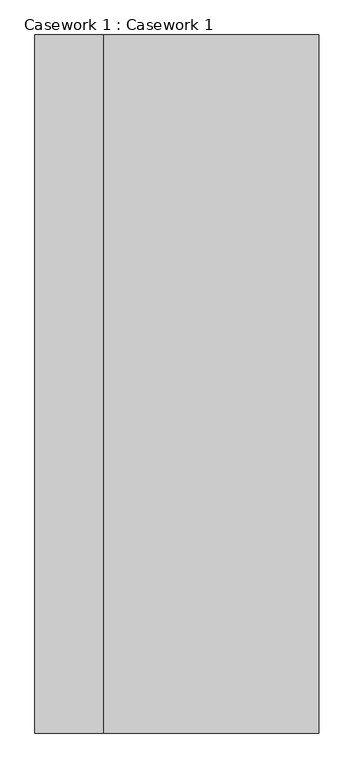
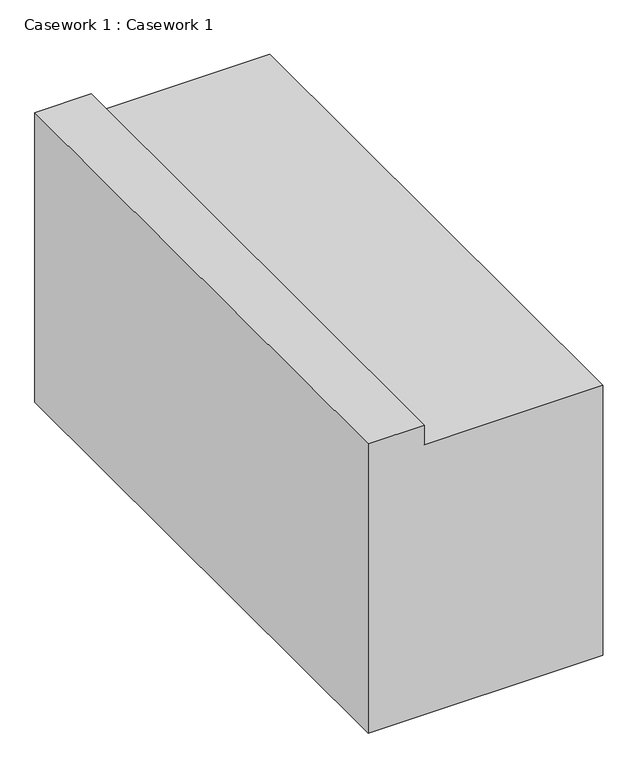
"""IFC4 building model written with IfcOpenShell, lengths in millimetres: furniture geometry, Casework 1 : Casework 1."""

import ifcopenshell
import ifcopenshell.guid

model = None  # the IFC model being written
_history = None  # IfcOwnerHistory: only IFC2X3 demands one
_inside = {}  # id of a spatial element -> (the spatial element, [elements in it])
_under = {}  # id of a project, library or spatial element -> (it, [spatial elements below it])
_declared = {}  # id of a project -> (the project, [libraries it declares])
_typed = {}  # id of a type object -> (the type object, [elements of that type])
_made_of = {}  # id of a material, layer set ... -> (it, [elements and type objects made of it])


def new_model(schema):
    """Start an empty IFC model of exactly this schema.

    Asked for "IFC4X3", IfcOpenShell would pick the latest addendum, in which some entities
    have other attributes; the version numbers below select the first issue.
    IFC2X3 requires an IfcOwnerHistory on every rooted entity: one is made here for all.
    """
    global model, _history
    if schema == "IFC4X3":
        model = ifcopenshell.file(schema_version=(4, 3, 0, 0))
    else:
        model = ifcopenshell.file(schema=schema)
    _inside.clear()
    _under.clear()
    _declared.clear()
    _typed.clear()
    _made_of.clear()
    _history = None
    if model.schema == "IFC2X3":
        org = make("IfcOrganization", Name="unknown")
        user = make(
            "IfcPersonAndOrganization",
            ThePerson=make("IfcPerson", FamilyName="unknown"),
            TheOrganization=org,
        )
        app = make(
            "IfcApplication",
            ApplicationDeveloper=org,
            Version="unknown",
            ApplicationFullName="unknown",
            ApplicationIdentifier="unknown",
        )
        _history = make(
            "IfcOwnerHistory",
            OwningUser=user,
            OwningApplication=app,
            ChangeAction="ADDED",
            CreationDate=0,
        )
    return model


def make(cls, **values):
    """One entity of the class cls with the attributes given. An attribute that is None is left unset."""
    return model.create_entity(
        cls, **{name: value for name, value in values.items() if value is not None}
    )


def rooted(cls, **values):
    """An entity with a GlobalId (a new one), such as an element, a storey or a relation."""
    return make(cls, GlobalId=ifcopenshell.guid.new(), OwnerHistory=_history, **values)


def si_unit(unit_type, name, prefix=None):
    """IfcSIUnit, for example si_unit("LENGTHUNIT", "METRE", prefix="MILLI")."""
    return make("IfcSIUnit", UnitType=unit_type, Prefix=prefix, Name=name)


def assignment(units):
    """IfcUnitAssignment: the units of a project."""
    return None if units is None else make("IfcUnitAssignment", Units=units)


def point(xyz):
    """IfcCartesianPoint."""
    return None if xyz is None else make("IfcCartesianPoint", Coordinates=xyz)


def direction(xyz):
    """IfcDirection."""
    return None if xyz is None else make("IfcDirection", DirectionRatios=xyz)


def frame(location, z_axis=None, x_axis=None):
    """IfcAxis2Placement3D, a coordinate frame: its origin and axes. An axis left out is left unset."""
    return make(
        "IfcAxis2Placement3D",
        Location=point(location),
        Axis=direction(z_axis),
        RefDirection=direction(x_axis),
    )


def origin():
    """The frame at (0, 0, 0) with its axes left unset."""
    return frame((0.0, 0.0, 0.0))


def place(relative_to, where):
    """IfcLocalPlacement: puts the frame where relative to a parent placement (None: the world)."""
    return make(
        "IfcLocalPlacement", PlacementRelTo=relative_to, RelativePlacement=where
    )


def context(
    kind, dimensions, precision=None, world=None, true_north=None, identifier=None
):
    """IfcGeometricRepresentationContext, for example the 3D "Model" context."""
    return make(
        "IfcGeometricRepresentationContext",
        ContextIdentifier=identifier,
        ContextType=kind,
        CoordinateSpaceDimension=dimensions,
        Precision=precision,
        WorldCoordinateSystem=world,
        TrueNorth=true_north,
    )


def project(units=None, contexts=None):
    """IfcProject with its units and contexts."""
    return rooted(
        "IfcProject",
        Name="project",
        RepresentationContexts=contexts,
        UnitsInContext=assignment(units),
    )


def spatial(cls, under=None, at=None, **own):
    """A site, building, storey or space (cls), placed at a placement, below another one or the project."""
    s = rooted(cls, ObjectPlacement=at, **own)
    if under is not None:
        _under.setdefault(under.id(), (under, []))[1].append(s)
    return s


def polyline(points):
    """IfcPolyline through the points."""
    return make("IfcPolyline", Points=[point(p) for p in points])


def outline(outer, holes=None, kind="AREA"):
    """IfcArbitraryClosedProfileDef: a profile drawn as a closed curve; with holes, ...WithVoids."""
    if holes is None:
        return make("IfcArbitraryClosedProfileDef", ProfileType=kind, OuterCurve=outer)
    return make(
        "IfcArbitraryProfileDefWithVoids",
        ProfileType=kind,
        OuterCurve=outer,
        InnerCurves=holes,
    )


def extrude(swept, where, along, depth):
    """IfcExtrudedAreaSolid: the profile swept, set in the frame where, extruded along a direction by depth."""
    return make(
        "IfcExtrudedAreaSolid",
        SweptArea=swept,
        Position=where,
        ExtrudedDirection=direction(along),
        Depth=depth,
    )


def shape(context_of_items, identifier, shape_type, items):
    """IfcShapeRepresentation: the items that make up one representation, for example the "Body"."""
    return make(
        "IfcShapeRepresentation",
        ContextOfItems=context_of_items,
        RepresentationIdentifier=identifier,
        RepresentationType=shape_type,
        Items=items,
    )


def source(mapping_origin, context_of_items, identifier, shape_type, items):
    """IfcRepresentationMap: a shape defined once, which mapped items show again and again."""
    return make(
        "IfcRepresentationMap",
        MappingOrigin=mapping_origin,
        MappedRepresentation=shape(context_of_items, identifier, shape_type, items),
    )


def transform(
    local_origin,
    x_axis=None,
    y_axis=None,
    z_axis=None,
    scale=None,
    scale2=None,
    scale3=None,
    uniform=True,
):
    """IfcCartesianTransformationOperator3D, or its non-uniform kind. x_axis, y_axis, z_axis: its Axis1, 2, 3."""
    if uniform:
        return make(
            "IfcCartesianTransformationOperator3D",
            Axis1=direction(x_axis),
            Axis2=direction(y_axis),
            LocalOrigin=point(local_origin),
            Scale=scale,
            Axis3=direction(z_axis),
        )
    return make(
        "IfcCartesianTransformationOperator3DnonUniform",
        Axis1=direction(x_axis),
        Axis2=direction(y_axis),
        LocalOrigin=point(local_origin),
        Scale=scale,
        Axis3=direction(z_axis),
        Scale2=scale2,
        Scale3=scale3,
    )


def mapped(mapping_source, mapping_target):
    """IfcMappedItem: shows the shape of a source again, moved by a transform."""
    return make(
        "IfcMappedItem", MappingSource=mapping_source, MappingTarget=mapping_target
    )


def made_of(thing, what):
    """Note that an element or type object is made of a material, layer set ...; save() writes the relation."""
    if what is not None:
        _made_of.setdefault(what.id(), (what, []))[1].append(thing)
    return thing


def element(
    cls,
    number,
    at=None,
    inside=None,
    cuts=None,
    type_object=None,
    material=None,
    context=None,
    identifier="Body",
    shape_type=None,
    held_by="IfcProductDefinitionShape",
    body=None,
    shapes=None,
    **own,
):
    """One element of the class cls, such as IfcWall. Its Tag is "e" and its number.

    at: its placement. inside: the storey or other place that contains it. cuts: it is an
    opening in that element (IfcRelVoidsElement). A single representation is given by context,
    identifier, shape_type and body (its items); several are given by shapes. held_by: the class
    of the entity that holds the representations. save() writes the other relations.
    """
    e = rooted(cls, Tag="e%d" % number, ObjectPlacement=at, **own)
    if body is not None:
        shapes = [shape(context, identifier, shape_type, body)]
    if shapes is not None:
        e.Representation = make(held_by, Representations=shapes)
    if inside is not None:
        _inside.setdefault(inside.id(), (inside, []))[1].append(e)
    if cuts is not None:
        rooted(
            "IfcRelVoidsElement", RelatingBuildingElement=cuts, RelatedOpeningElement=e
        )
    if type_object is not None:
        _typed.setdefault(type_object.id(), (type_object, []))[1].append(e)
    return made_of(e, material)


def aggregate(whole, parts):
    """IfcRelAggregates: a whole, such as a stair, and the parts it consists of."""
    return rooted("IfcRelAggregates", RelatingObject=whole, RelatedObjects=parts)


def save(model, path):
    """Write the relations noted so far, then the file.

    IfcRelAggregates (storeys below a building ...), IfcRelContainedInSpatialStructure (elements
    in a storey), IfcRelDefinesByType, IfcRelAssociatesMaterial and IfcRelDeclares: one each for
    every whole, place, type object, material and project.
    """
    for whole, parts in _under.values():
        aggregate(whole, parts)
    for where, things in _inside.values():
        rooted(
            "IfcRelContainedInSpatialStructure",
            RelatedElements=things,
            RelatingStructure=where,
        )
    for kind, things in _typed.values():
        rooted("IfcRelDefinesByType", RelatedObjects=things, RelatingType=kind)
    for what, things in _made_of.values():
        rooted("IfcRelAssociatesMaterial", RelatedObjects=things, RelatingMaterial=what)
    for by, libraries in _declared.values():
        rooted("IfcRelDeclares", RelatingContext=by, RelatedDefinitions=libraries)
    model.write(path)


def casework_1_casework_1_95e0b078(model_context):
    return source(origin(), model_context, "Body", "SweptSolid", [
        extrude(outline(polyline([(-5620.1245838, -23946.1286865), (-5620.1245838, -24136.6286865), (-6654.8, -24136.6286865), (-6654.8, -23342.8786865), (-5689.9745838, -23342.8786865), (-5689.9745838, -23946.1286865), (-5620.1245838, -23946.1286865)])), frame((0.0, -8449.2811541, 0.0), z_axis=(0.0, 1.0, 0.0), x_axis=(0.0, 0.0, 1.0)), (0.0, 0.0, 1.0), 1951.4771605),
    ])


if __name__ == "__main__":
    model = new_model("IFC4")
    model_context = context("Model", 3, world=origin())
    ifc_project = project(units=[si_unit("LENGTHUNIT", "METRE", prefix="MILLI")], contexts=[model_context])
    site = spatial("IfcSite", under=ifc_project)
    building = spatial("IfcBuilding", under=site)
    placement = place(None, origin())
    casework_1_casework_1_shape = casework_1_casework_1_95e0b078(model_context)
    element("IfcFurniture", 1, ObjectType="Casework 1 : Casework 1", at=placement, inside=building, context=model_context, shape_type="MappedRepresentation", body=[
        mapped(casework_1_casework_1_shape, transform((0.0, 0.0, 0.0), x_axis=(1.0, 0.0, 0.0), y_axis=(0.0, 1.0, 0.0), z_axis=(0.0, 0.0, 1.0))),
    ])
    save(model, "model.ifc")
